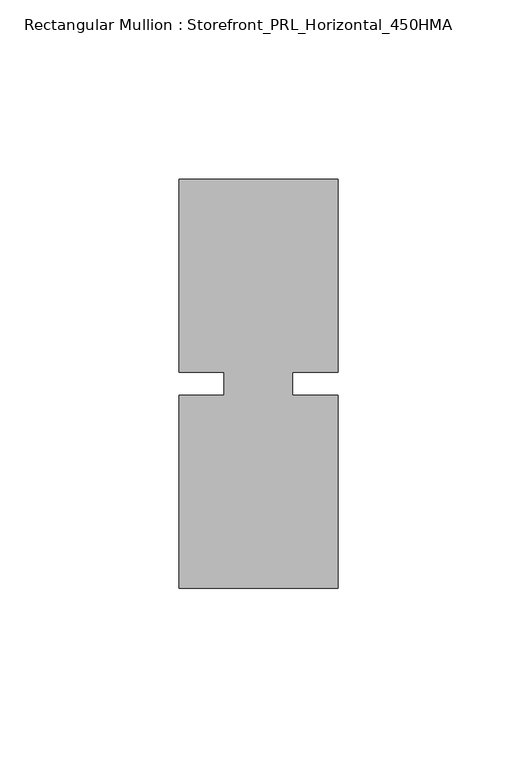
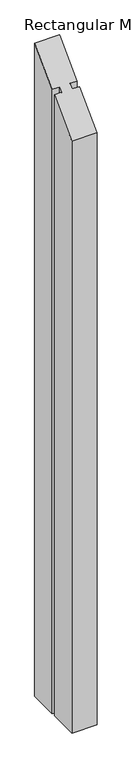
"""IFC4 building model written with IfcOpenShell, lengths in millimetres: member geometry, Rectangular Mullion : Storefront_PRL_Horizontal_450HMA."""

from ifc_helpers import new_model, si_unit, origin, place, context, project, spatial, faceted_brep, source, transform, mapped, element, save


def rectangular_mullion_storefront_prl_horizontal_450hma_70e67cc9(model_context):
    return source(origin(), model_context, "Body", "Brep", [
        faceted_brep([(-9.525, -3.175, -1168.4), (-9.525, 3.175, -1168.4), (-22.225, 3.175, -1168.4), (-22.225, 57.15, -1168.4), (22.225, 57.15, -1168.4), (22.225, 3.175, -1168.4), (9.525, 3.175, -1168.4), (9.525, -3.175, -1168.4), (22.225, -3.175, -1168.4), (22.225, -57.15, -1168.4), (-22.225, -57.15, -1168.4), (-22.225, -3.175, -1168.4), (-22.225, -3.175, -3.175), (-9.525, -3.175, -3.175), (-22.225, -57.15, -57.15), (22.225, -57.15, -57.15), (22.225, -3.175, -3.175), (9.525, -3.175, -3.175), (9.525, 3.175, 3.175), (22.225, 3.175, 3.175), (22.225, 57.15, 57.15), (-22.225, 57.15, 57.15), (-22.225, 3.175, 3.175), (-9.525, 3.175, 3.175)], [[[0, 1, 2, 3, 4, 5, 6, 7, 8, 9, 10, 11]], [[12, 13, 0, 11]], [[14, 12, 11, 10]], [[15, 14, 10, 9]], [[16, 15, 9, 8]], [[17, 16, 8, 7]], [[18, 17, 7, 6]], [[19, 18, 6, 5]], [[20, 19, 5, 4]], [[21, 20, 4, 3]], [[22, 21, 3, 2]], [[23, 22, 2, 1]], [[13, 23, 1, 0]], [[13, 12, 14, 15, 16, 17, 18, 19, 20, 21, 22, 23]]]),
    ])


if __name__ == "__main__":
    model = new_model("IFC4")
    model_context = context("Model", 3, world=origin())
    ifc_project = project(units=[si_unit("LENGTHUNIT", "METRE", prefix="MILLI")], contexts=[model_context])
    site = spatial("IfcSite", under=ifc_project)
    building = spatial("IfcBuilding", under=site)
    placement = place(None, origin())
    rectangular_mullion_storefront_prl_horizontal_450hma_shape = rectangular_mullion_storefront_prl_horizontal_450hma_70e67cc9(model_context)
    element("IfcMember", 1, ObjectType="Rectangular Mullion : Storefront_PRL_Horizontal_450HMA", at=placement, inside=building, context=model_context, shape_type="MappedRepresentation", body=[
        mapped(rectangular_mullion_storefront_prl_horizontal_450hma_shape, transform((0.0, 0.0, 0.0), x_axis=(1.0, 0.0, 0.0), y_axis=(0.0, 1.0, 0.0), z_axis=(0.0, 0.0, 1.0))),
    ])
    save(model, "model.ifc")
